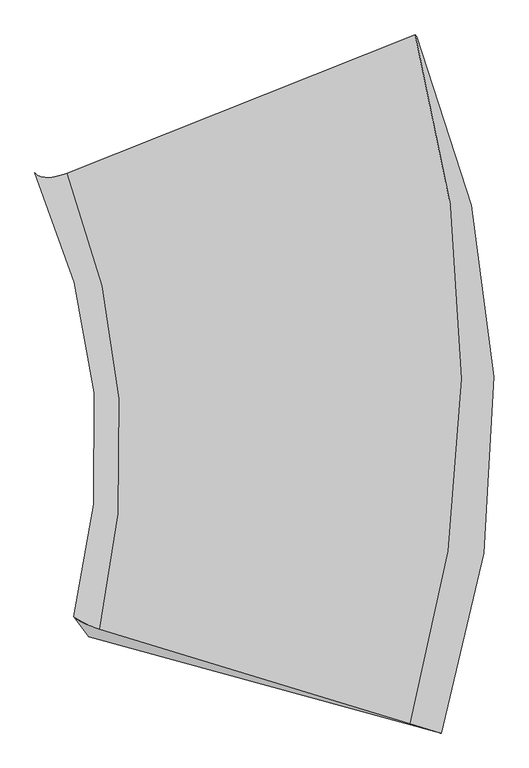
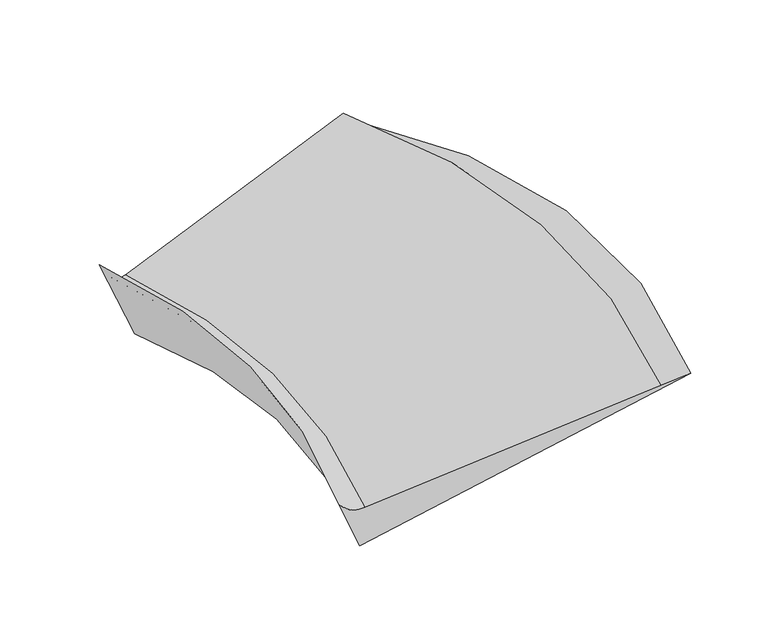
"""IFC4 building model written with IfcOpenShell, lengths in millimetres: proxy geometry."""

from ifc_helpers import new_model, si_unit, frame, origin, place, context, project, spatial, source, transform, mapped, element, save
from ifc_brep_helpers import plane_surface, spline_curve, spline_surface, advanced_brep


def generic_models_f748b19e(model_context):
    return source(origin(), model_context, "Body", "AdvancedBrep", [
        advanced_brep(
        [(1104.5901552, -8078.9517842, 1891.9161812), (1336.3255109, -8149.487423, 1972.2409194), (1152.257802, -2901.5966851, 1371.0768147), (1141.060426, -2886.7431189, 1407.2644463), (-1239.176761, -7365.5556936, 1079.5133293), (-1483.460953, -3930.5551448, 1369.4471987), (-1432.9689952, -7274.2330152, 1125.5462987), (-1726.3501609, -3926.979992, 1554.5475281), (-1321.7323073, -7421.7909358, 766.0520482), (-1541.2664404, -4172.4976305, 956.394755)],
        [
            (0, 1),
            (1, 2, spline_curve(3, [(1336.3255109, -8149.487423, 1972.2409194), (1632.179843521, -7236.700006867, 1962.475395392), (1764.025028247, -6341.235169597, 1907.098400659), (1699.96350654, -4592.224023468, 1705.95792441), (1506.76241884, -3738.391948103, 1560.946884386), (1152.257802, -2901.5966851, 1371.0768147)], [4, 2, 4], [0.0, 8.801653733709419, 17.530406192644254])),
            (2, 3),
            (3, 0, spline_curve(3, [(1141.060426, -2886.7431189, 1407.2644463), (1379.046851246, -3751.929580052, 1563.259391526), (1495.520939949, -4615.41462759, 1681.633655297), (1485.402365536, -6346.179387754, 1843.815262715), (1356.771519912, -7213.430562117, 1886.991577308), (1104.5901552, -8078.9517842, 1891.9161812)], [4, 2, 4], [0.0, 8.728752458934835, 17.530406192644254])),
            (4, 0),
            (3, 5),
            (5, 4, spline_curve(3, [(-1483.460953, -3930.5551448, 1369.4471987), (-1263.152082244, -4493.603375654, 1363.981969829), (-1132.351506678, -5060.1724458, 1337.277369229), (-1049.422078583, -6205.113572051, 1240.989004069), (-1098.794590159, -6783.544684901, 1171.048981235), (-1239.176761, -7365.5556936, 1079.5133293)], [4, 2, 4], [0.0, 7.147411471606594, 14.354517087372958])),
            (6, 4, spline_curve(3, [(-1432.9689952, -7274.2330152, 1125.5462987), (-1425.718726855, -7279.590605989, 1117.028929362), (-1418.18589664, -7284.804069316, 1109.415177643), (-1402.55511236, -7294.942741284, 1095.994909357), (-1394.457158339, -7299.867949921, 1090.188392748), (-1377.696126461, -7309.430112279, 1080.382594852), (-1369.033048634, -7314.067066026, 1076.383313557), (-1351.141769166, -7323.052718774, 1070.191986043), (-1341.913567529, -7327.401417731, 1067.999939862), (-1322.892040471, -7335.810560869, 1065.423082738), (-1313.098715028, -7339.871005039, 1065.038271767), (-1292.946940372, -7347.703638561, 1066.075885033), (-1282.588491123, -7351.475827944, 1067.498309272), (-1261.306468877, -7358.731951856, 1072.150392928), (-1250.382895918, -7362.215886449, 1075.380052281), (-1239.176761, -7365.5556936, 1079.5133293)], [4, 2, 2, 2, 2, 2, 2, 4], [0.0, 0.11297430922312218, 0.22594861844624436, 0.33892292766936655, 0.45189723689248873, 0.5648715461156109, 0.677845855338733, 0.7908201645618551])),
            (5, 7, spline_curve(3, [(-1483.460953, -3930.5551448, 1369.4471987), (-1500.945827635, -3936.75347817, 1370.617942519), (-1517.585170558, -3942.042014655, 1372.880623087), (-1549.172793042, -3950.799493545, 1379.589857913), (-1564.12107255, -3954.268435984, 1384.036412193), (-1592.32656825, -3959.386727016, 1395.113394207), (-1605.583784447, -3961.036075609, 1401.743821995), (-1630.407153353, -3962.515178791, 1417.188551205), (-1641.973306039, -3962.344933435, 1426.002852601), (-1663.414548161, -3960.184848765, 1445.815328999), (-1673.289637532, -3958.19500946, 1456.813504007), (-1691.348752868, -3952.39573694, 1480.993727593), (-1699.532778824, -3948.586303689, 1494.175776113), (-1714.209767376, -3939.147843311, 1522.723746887), (-1720.702730017, -3933.518816114, 1538.089669116), (-1726.3501609, -3926.979992, 1554.5475281)], [4, 2, 2, 2, 2, 2, 2, 4], [0.0, 0.11297430922312213, 0.22594861844624425, 0.3389229276693664, 0.45189723689248856, 0.5648715461156107, 0.677845855338733, 0.7908201645618551])),
            (7, 6, spline_curve(3, [(-1726.3501609, -3926.979992, 1554.5475281), (-1478.498879802, -4475.841666765, 1520.819255624), (-1329.812374026, -5028.036357875, 1468.43160602), (-1230.355315465, -6143.731459178, 1325.744178717), (-1281.248099107, -6707.287776019, 1235.131418479), (-1432.9689952, -7274.2330152, 1125.5462987)], [4, 2, 4], [0.0, 5.638988932482678, 11.325073882815762])),
            (8, 6),
            (7, 9),
            (9, 8, spline_curve(3, [(-1541.2664404, -4172.4976305, 956.394755), (-1310.406455775, -4698.395998783, 978.623681193), (-1176.353771088, -5230.965733634, 974.054123348), (-1101.551933058, -6313.95160025, 911.056057914), (-1162.426573431, -6864.479633655, 852.178046843), (-1321.7323073, -7421.7909358, 766.0520482)], [4, 2, 4], [0.0, 5.534487525669901, 11.115198288594328])),
            (1, 8),
            (9, 2),
        ],
        [
            spline_surface(3, 3, [[(1104.5901552, -8078.9517842, 1891.9161812), (1356.771519978, -7213.430562072, 1886.991577165), (1485.402365646, -6346.179387856, 1843.815262722), (1495.520939839, -4615.414627489, 1681.63365529), (1379.046851115, -3751.929579946, 1563.259391452), (1141.060426, -2886.7431189, 1407.2644463)], [(1181.835273766, -8102.463663826, 1918.69109392), (1448.574294473, -7221.187043722, 1912.152849906), (1578.276586562, -6344.531315131, 1864.909642006), (1563.668462081, -4607.684426123, 1689.74174499), (1421.618706967, -3747.417035998, 1562.488555747), (1144.792884658, -2891.694307654, 1395.201902437)], [(1259.080392334, -8125.975543374, 1945.46600668), (1540.377068969, -7228.943525295, 1937.314122687), (1671.150807392, -6342.883242403, 1886.004021343), (1631.815984237, -4599.954224753, 1697.849834742), (1464.190562846, -3742.904491987, 1561.717720032), (1148.525343342, -2896.645496346, 1383.139358563)], [(1336.3255109, -8149.487423, 1972.2409194), (1632.179843464, -7236.700006946, 1962.475395428), (1764.025028308, -6341.235169678, 1907.098400627), (1699.96350648, -4592.224023387, 1705.957924442), (1506.762418698, -3738.391948039, 1560.946884327), (1152.257802, -2901.5966851, 1371.0768147)]], [4, 4], [4, 2, 4], [0.0, 0.807745153564277], [0.0, 8.801653733709419, 17.530406192644254]),
            spline_surface(3, 3, [[(-1239.176761, -7365.5556936, 1079.5133293), (-1098.794590184, -6783.544684996, 1171.048981335), (-1049.422078576, -6205.113572045, 1240.989004006), (-1132.351506685, -5060.172445806, 1337.277369292), (-1263.15208231, -4493.603375764, 1363.981969803), (-1483.460953, -3930.5551448, 1369.4471987)], [(-457.92112227, -7603.354390471, 1350.314279927), (-280.272553467, -6926.839977358, 1409.696513272), (-204.480597186, -6252.135510669, 1441.931090262), (-256.394024527, -4911.91983972, 1452.062797975), (-382.419104519, -4246.378777129, 1430.407777028), (-608.620493351, -3582.617802804, 1382.052947909)], [(323.33451647, -7841.153087329, 1621.115230573), (538.249483261, -7070.135269709, 1648.344045228), (640.460884256, -6299.157449232, 1642.873176466), (619.563457681, -4763.667233575, 1566.848226607), (498.313873325, -3999.154178582, 1496.833584227), (266.219966351, -3234.680460896, 1394.658697091)], [(1104.5901552, -8078.9517842, 1891.9161812), (1356.771519978, -7213.430562072, 1886.991577165), (1485.402365646, -6346.179387856, 1843.815262722), (1495.520939839, -4615.414627489, 1681.63365529), (1379.046851115, -3751.929579946, 1563.259391452), (1141.060426, -2886.7431189, 1407.2644463)]], [4, 4], [4, 2, 4], [0.0, 8.623670109127923], [0.0, 7.207105615766364, 14.354517087372958]),
            spline_surface(3, 3, [[(-1432.9689952, -7274.2330152, 1125.5462987), (-1281.248099148, -6707.287776005, 1235.131418391), (-1230.355315438, -6143.731459268, 1325.744178654), (-1329.812374053, -5028.036357787, 1468.431606083), (-1478.49887971, -4475.84166674, 1520.819255606), (-1726.3501609, -3926.979992, 1554.5475281)], [(-1425.718726855, -7279.59060599, 1117.028929364), (-1275.525936946, -6712.036953856, 1225.939027012), (-1225.528711961, -6148.276952228, 1315.548457398), (-1325.50961475, -5032.982271888, 1455.58363893), (-1473.834840837, -4481.385010172, 1506.327788448), (-1720.702730018, -3933.518816114, 1538.089669117)], [(-1418.185896641, -7284.804069315, 1109.415177642), (-1269.380046182, -6716.626432148, 1217.623899474), (-1220.160784884, -6152.590654433, 1306.232701913), (-1320.478264105, -5037.440239664, 1443.678889941), (-1468.372148966, -4486.257275401, 1492.839610529), (-1714.209767375, -3939.147843313, 1522.723746888)], [(-1402.555112359, -7294.942741285, 1095.994909358), (-1256.240807417, -6725.485989866, 1202.748172008), (-1208.342283676, -6160.754477376, 1289.361122575), (-1308.958380275, -5045.380282611, 1421.75582838), (-1455.849459489, -4494.659649259, 1467.869833343), (-1699.532778825, -3948.586303687, 1494.175776112)], [(-1394.457158337, -7299.867949921, 1090.188392749), (-1249.247459461, -6729.756069284, 1196.187572035), (-1201.891709474, -6164.604598183, 1281.80529872), (-1302.469847019, -5048.862357851, 1411.737515806), (-1448.789461833, -4498.189757962, 1456.388234104), (-1691.348752868, -3952.395736939, 1480.993727593)], [(-1377.696126463, -7309.430112279, 1080.382594851), (-1234.413306334, -6737.976829019, 1184.820899861), (-1187.907914012, -6171.841258149, 1268.453582559), (-1288.035597965, -5054.850615542, 1393.587326991), (-1433.072160626, -4503.907818811, 1435.431614046), (-1673.289637532, -3958.195009461, 1456.813504007)], [(-1369.033048634, -7314.067066026, 1076.383313555), (-1226.572501187, -6741.927509361, 1180.014827652), (-1180.374692785, -6175.227797359, 1262.657690334), (-1280.089882198, -5057.356798045, 1385.455450832), (-1424.414857084, -4506.09577099, 1425.956593287), (-1663.414548162, -3960.184848765, 1445.815328998)], [(-1351.141769166, -7323.052718774, 1070.191986045), (-1210.043433698, -6749.509471113, 1172.15721077), (-1164.22560307, -6181.537294346, 1252.825837348), (-1262.74126792, -5061.393270481, 1371.078134762), (-1405.502944147, -4509.12951883, 1409.013130359), (-1641.973306038, -3962.344933435, 1426.002852602)], [(-1341.91356753, -7327.401417732, 1067.999939861), (-1201.355171358, -6753.14075248, 1169.105666127), (-1155.609734617, -6184.460252059, 1248.789876654), (-1253.338369443, -5062.923560347, 1364.832694917), (-1395.248334821, -4509.975314483, 1401.544688179), (-1630.407153355, -3962.515178792, 1417.188551203)], [(-1322.89204047, -7335.810560868, 1065.423082739), (-1183.131189508, -6760.083916248, 1164.757104537), (-1137.295350649, -6189.842586069, 1242.477886843), (-1233.075389942, -5065.008247527, 1354.228251593), (-1373.141810154, -4510.324749315, 1388.61438238), (-1605.583784445, -3961.036075608, 1401.743821997)], [(-1313.098715026, -7339.871005037, 1065.038271768), (-1173.595469976, -6763.39579864, 1163.460087558), (-1127.59683507, -6192.301962383, 1240.201857679), (-1222.215308853, -5065.562644857, 1349.869248063), (-1361.289894842, -4509.828388443, 1383.15251878), (-1592.326568248, -3959.386727018, 1395.113394208)], [(-1292.946940374, -7347.703638563, 1066.075885032), (-1153.676573764, -6769.700164426, 1162.620581261), (-1107.117156849, -6196.757133416, 1237.409731044), (-1199.037964128, -5065.695546781, 1343.037677484), (-1335.988758445, -4507.493510266, 1374.23537011), (-1564.121072552, -3954.268435982, 1384.036412192)], [(-1282.588491123, -7351.475827943, 1067.498309274), (-1143.293397041, -6772.692647843, 1163.078091947), (-1096.335994245, -6198.752928132, 1236.89363351), (-1186.72070053, -5065.274051374, 1340.56511037), (-1322.539537348, -4505.654992969, 1370.78008499), (-1549.172793042, -3950.799493544, 1379.589857913)], [(-1261.306468877, -7358.731951857, 1072.150392926), (-1121.679586467, -6778.358215644, 1165.747640941), (-1073.69102177, -6202.280936187, 1237.621370051), (-1160.628990581, -5063.455168043, 1337.506412535), (-1294.043789221, -4500.635801783, 1365.876093449), (-1517.585170558, -3942.042014656, 1372.880623087)], [(-1250.382895919, -7362.215886448, 1075.38005228), (-1110.448952652, -6781.031300086, 1167.959679192), (-1061.82721194, -6203.813149506, 1238.865204147), (-1146.854544271, -5062.057780099, 1336.920281836), (-1278.997262239, -4497.455127861, 1364.427387008), (-1500.945827635, -3936.753478171, 1370.617942518)], [(-1239.176761, -7365.5556936, 1079.5133293), (-1098.794590184, -6783.544684996, 1171.048981335), (-1049.422078576, -6205.113572045, 1240.989004006), (-1132.351506685, -5060.172445806, 1337.277369292), (-1263.15208231, -4493.603375764, 1363.981969803), (-1483.460953, -3930.5551448, 1369.4471987)]], [4, 2, 2, 2, 2, 2, 2, 4], [4, 2, 4], [0.0, 0.11297430922312218, 0.22594861844624436, 0.33892292766936655, 0.45189723689248873, 0.5648715461156109, 0.677845855338733, 0.7908201645618551], [0.0, 5.6860849503330835, 11.325073882815762]),
            spline_surface(3, 3, [[(-1321.7323073, -7421.7909358, 766.0520482), (-1162.426573414, -6864.479633745, 852.178046787), (-1101.551933036, -6313.951600193, 911.056057863), (-1176.353771109, -5230.965733691, 974.054123398), (-1310.406455852, -4698.395998796, 978.623681261), (-1541.2664404, -4172.4976305, 956.394755)], [(-1358.811203279, -7372.604962257, 885.883465012), (-1202.033748671, -6812.082347822, 979.829170634), (-1144.486393831, -6257.211553218, 1049.285431478), (-1227.506638752, -5163.32260839, 1138.846617645), (-1366.437263792, -4624.211221453, 1159.355539365), (-1602.961013888, -4090.658417676, 1155.779012689)], [(-1395.890099221, -7323.418988743, 1005.714881888), (-1241.640923891, -6759.685061927, 1107.480294544), (-1187.420854642, -6200.471506243, 1187.514805039), (-1278.65950641, -5095.679483088, 1303.639111837), (-1422.46807177, -4550.026444082, 1340.087397502), (-1664.655587412, -4008.819204824, 1355.163270411)], [(-1432.9689952, -7274.2330152, 1125.5462987), (-1281.248099148, -6707.287776005, 1235.131418391), (-1230.355315438, -6143.731459268, 1325.744178654), (-1329.812374053, -5028.036357787, 1468.431606083), (-1478.49887971, -4475.84166674, 1520.819255606), (-1726.3501609, -3926.979992, 1554.5475281)]], [4, 4], [4, 2, 4], [0.0, 1.6759531987747691], [0.0, 5.5807107629244275, 11.115198288594328]),
            spline_surface(3, 3, [[(1336.3255109, -8149.487423, 1972.2409194), (1632.179843464, -7236.700006946, 1962.475395428), (1764.025028308, -6341.235169678, 1907.098400627), (1699.96350648, -4592.224023387, 1705.957924442), (1506.762418698, -3738.391948039, 1560.946884327), (1152.257802, -2901.5966851, 1371.0768147)], [(450.30623816, -7906.921927249, 1570.177962348), (700.644371165, -7112.626549195, 1592.376279229), (808.832707853, -6332.140646508, 1575.084286365), (741.19108061, -4805.137926813, 1461.989990754), (567.706127188, -4058.393298289, 1366.839149976), (254.416387873, -3325.230333565, 1232.849461471)], [(-435.71303456, -7664.356431551, 1168.115005252), (-230.891101115, -6988.553091496, 1222.277162986), (-146.359612581, -6323.046123363, 1243.070172125), (-217.581345239, -5018.051830265, 1218.022057087), (-371.350164342, -4378.394648545, 1172.731415613), (-643.425026273, -3748.863982035, 1094.622108229)], [(-1321.7323073, -7421.7909358, 766.0520482), (-1162.426573414, -6864.479633745, 852.178046787), (-1101.551933036, -6313.951600193, 911.056057863), (-1176.353771109, -5230.965733691, 974.054123398), (-1310.406455852, -4698.395998795, 978.623681261), (-1541.2664404, -4172.4976305, 956.394755)]], [4, 4], [4, 2, 4], [0.0, 9.887361032572251], [0.0, 7.17335674517309, 14.287298877256694]),
            plane_surface(frame((-491.5518653, -3563.6745143, 1331.7461486), z_axis=(-0.32569965297960446, 0.8349952610110357, -0.4435117249161261), x_axis=(-0.8957426958871619, -0.4226433982371488, -0.13790424464589243))),
            plane_surface(frame((-664.3881382, -7552.7667669, 1235.8381489), z_axis=(-0.361626148021028, -0.8964684976332474, 0.2560678851762992), x_axis=(-0.9080429219257539, 0.2763902272598368, -0.3147483029593572))),
        ],
        [
            (0, [[1, 2, 3, 4]]),
            (1, [[5, -4, 6, 7]]),
            (2, [[8, -7, 9, 10]]),
            (3, [[11, -10, 12, 13]]),
            (4, [[14, -13, 15, -2]]),
            (5, [[-15, -12, -9, -6, -3]]),
            (6, [[-1, -5, -8, -11, -14]]),
        ],
    ),
    ])


if __name__ == "__main__":
    model = new_model("IFC4")
    model_context = context("Model", 3, world=origin())
    ifc_project = project(units=[si_unit("LENGTHUNIT", "METRE", prefix="MILLI")], contexts=[model_context])
    site = spatial("IfcSite", under=ifc_project)
    building = spatial("IfcBuilding", under=site)
    placement = place(None, origin())
    generic_models_shape = generic_models_f748b19e(model_context)
    element("IfcBuildingElementProxy", 1, Name="Generic Models", at=placement, inside=building, context=model_context, shape_type="MappedRepresentation", body=[
        mapped(generic_models_shape, transform((0.0, 0.0, 0.0), x_axis=(1.0, 0.0, 0.0), y_axis=(0.0, 1.0, 0.0), z_axis=(0.0, 0.0, 1.0))),
    ])
    save(model, "model.ifc")
